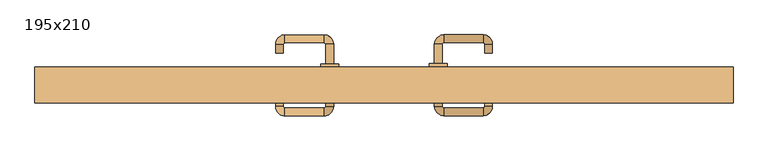
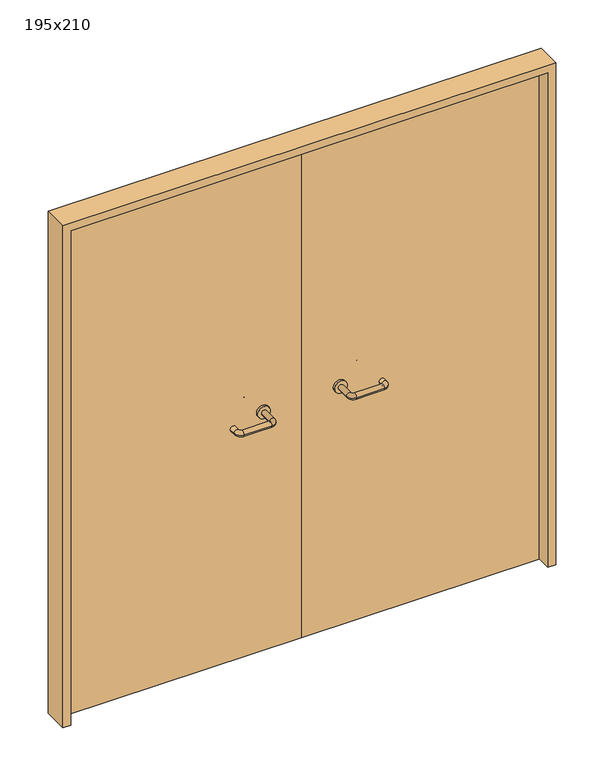
"""IFC4 building model written with IfcOpenShell, lengths in millimetres: door geometry, 195x210."""

from ifc_helpers import new_model, si_unit, point, frame, frame_2d, origin, place, context, project, spatial, polyline, circle_curve, ellipse_curve, trimmed, segment, composite_curve, outline, extrude, source, transform, mapped, element, save
from ifc_brep_helpers import plane_surface, cylinder_surface, revolved_surface, advanced_brep


def door_195x210_066c7f49(model_context):
    return source(origin(), model_context, "Body", "SolidModel", [
        extrude(outline(polyline([(2100.0, -975.0), (0.0, -975.0), (0.0, -943.0), (2068.0, -943.0), (2068.0, 943.0), (0.0, 943.0), (0.0, 975.0), (2100.0, 975.0), (2100.0, -975.0)])), frame((0.0, 100.0, 0.0), z_axis=(0.0, 1.0, 0.0), x_axis=(0.0, 0.0, 1.0)), (0.0, 0.0, 1.0), 100.0),
        advanced_brep(
        [(140.99898, 146.0, 1003.0), (162.99898, 146.0, 1003.0), (140.99898, 90.6474631, 1003.0), (162.99898, 90.6474631, 1003.0), (166.99898, 86.6474631, 1003.0), (166.99898, 64.6474631, 1003.0), (276.99898, 64.6474631, 1003.0), (276.99898, 86.6474631, 1003.0), (280.99898, 90.6474631, 1003.0), (302.99898, 90.6474631, 1003.0), (302.99898, 108.0, 1003.0), (280.99898, 108.0, 1003.0)],
        [
            (0, 1, circle_curve(frame((151.99898, 146.0, 1003.0), z_axis=(0.0, 1.0, 0.0), x_axis=(1.0, 0.0, 0.0)), 11.0)),
            (1, 0, circle_curve(frame((151.99898, 146.0, 1003.0), z_axis=(0.0, 1.0, 0.0), x_axis=(1.0, 0.0, 0.0)), 11.0)),
            (0, 2),
            (2, 3, circle_curve(frame((151.99898, 90.6474631, 1003.0), z_axis=(0.0, 1.0, 0.0), x_axis=(1.0, 0.0, 0.0)), 11.0)),
            (3, 1),
            (3, 2, circle_curve(frame((151.99898, 90.6474631, 1003.0), z_axis=(0.0, 1.0, 0.0), x_axis=(1.0, 0.0, 0.0)), 11.0)),
            (4, 3, circle_curve(frame((166.99898, 90.6474631, 1003.0), z_axis=(0.0, 0.0, -1.0), x_axis=(-1.0, 0.0, 0.0)), 4.0)),
            (2, 5, circle_curve(frame((166.99898, 90.6474631, 1003.0), z_axis=(0.0, 0.0, 1.0), x_axis=(-1.0, 0.0, 0.0)), 26.0)),
            (5, 4, circle_curve(frame((166.99898, 75.6474631, 1003.0), z_axis=(-1.0, 0.0, 0.0), x_axis=(0.0, 1.0, 0.0)), 11.0)),
            (4, 5, circle_curve(frame((166.99898, 75.6474631, 1003.0), z_axis=(-1.0, 0.0, 0.0), x_axis=(0.0, 1.0, 0.0)), 11.0)),
            (5, 6),
            (6, 7, circle_curve(frame((276.99898, 75.6474631, 1003.0), z_axis=(-1.0, 0.0, 0.0), x_axis=(0.0, 1.0, 0.0)), 11.0)),
            (7, 4),
            (7, 6, circle_curve(frame((276.99898, 75.6474631, 1003.0), z_axis=(-1.0, 0.0, 0.0), x_axis=(0.0, 1.0, 0.0)), 11.0)),
            (8, 7, circle_curve(frame((276.99898, 90.6474631, 1003.0), z_axis=(0.0, 0.0, -1.0), x_axis=(0.0, -1.0, 0.0)), 4.0)),
            (6, 9, circle_curve(frame((276.99898, 90.6474631, 1003.0), z_axis=(0.0, 0.0, 1.0), x_axis=(0.0, -1.0, 0.0)), 26.0)),
            (9, 8, circle_curve(frame((291.99898, 90.6474631, 1003.0), z_axis=(0.0, -1.0, 0.0), x_axis=(-1.0, 0.0, 0.0)), 11.0)),
            (8, 9, circle_curve(frame((291.99898, 90.6474631, 1003.0), z_axis=(0.0, -1.0, 0.0), x_axis=(-1.0, 0.0, 0.0)), 11.0)),
            (10, 11, circle_curve(frame((291.99898, 108.0, 1003.0), z_axis=(0.0, 1.0, 0.0), x_axis=(-1.0, 0.0, 0.0)), 11.0)),
            (11, 10, circle_curve(frame((291.99898, 108.0, 1003.0), z_axis=(0.0, 1.0, 0.0), x_axis=(-1.0, 0.0, 0.0)), 11.0)),
            (9, 10),
            (11, 8),
        ],
        [
            plane_surface(frame((140.99898, 146.0, 1003.0), z_axis=(0.0, 1.0, 0.0), x_axis=(0.0, 0.0, -1.0))),
            cylinder_surface(frame((151.99898, 146.0, 1003.0), z_axis=(0.0, 1.0, 0.0), x_axis=(1.0, 0.0, 0.0)), 11.0),
            revolved_surface(trimmed(ellipse_curve(frame((151.99898, 90.6474631, 1003.0), z_axis=(0.0, 1.0, 0.0), x_axis=(1.0, 0.0, 0.0)), 11.0, 11.0), [point((140.99898, 90.6474631, 1003.0))], [point((162.99898, 90.6474631, 1003.0))], True, "CARTESIAN"), (166.99898, 90.6474631, 1003.0), (0.0, 0.0, 1.0)),
            revolved_surface(trimmed(ellipse_curve(frame((151.99898, 90.6474631, 1003.0), z_axis=(0.0, 1.0, 0.0), x_axis=(1.0, 0.0, 0.0)), 11.0, 11.0), [point((162.99898, 90.6474631, 1003.0))], [point((140.99898, 90.6474631, 1003.0))], True, "CARTESIAN"), (166.99898, 90.6474631, 1003.0), (0.0, 0.0, 1.0)),
            cylinder_surface(frame((166.99898, 75.6474631, 1003.0), z_axis=(-1.0, 0.0, 0.0), x_axis=(0.0, 1.0, 0.0)), 11.0),
            revolved_surface(trimmed(ellipse_curve(frame((276.99898, 75.6474631, 1003.0), z_axis=(-1.0, 0.0, 0.0), x_axis=(0.0, 1.0, 0.0)), 11.0, 11.0), [point((276.99898, 64.6474631, 1003.0))], [point((276.99898, 86.6474631, 1003.0))], True, "CARTESIAN"), (276.99898, 90.6474631, 1003.0), (0.0, 0.0, 1.0)),
            revolved_surface(trimmed(ellipse_curve(frame((276.99898, 75.6474631, 1003.0), z_axis=(-1.0, 0.0, 0.0), x_axis=(0.0, 1.0, 0.0)), 11.0, 11.0), [point((276.99898, 86.6474631, 1003.0))], [point((276.99898, 64.6474631, 1003.0))], True, "CARTESIAN"), (276.99898, 90.6474631, 1003.0), (0.0, 0.0, 1.0)),
            plane_surface(frame((280.99898, 108.0, 1003.0), z_axis=(0.0, 1.0, 0.0), x_axis=(0.0, 0.0, 1.0))),
            cylinder_surface(frame((291.99898, 90.6474631, 1003.0), z_axis=(0.0, -1.0, 0.0), x_axis=(-1.0, 0.0, 0.0)), 11.0),
        ],
        [
            (0, [[1, 2]]),
            (1, [[-1, 3, 4, 5]]),
            (1, [[-2, -5, 6, -3]]),
            (2, [[7, -4, 8, 9]]),
            (3, [[-8, -6, -7, 10]]),
            (4, [[-9, 11, 12, 13]]),
            (4, [[-10, -13, 14, -11]]),
            (5, [[15, -12, 16, 17]]),
            (6, [[-16, -14, -15, 18]]),
            (7, [[19, 20]]),
            (8, [[-17, 21, -20, 22]]),
            (8, [[-18, -22, -19, -21]]),
        ],
    ),
        extrude(outline(composite_curve([segment(trimmed(circle_curve(frame_2d((1003.0, 151.99898)), 25.0), [point((1003.0, 126.99898))], [point((1003.0, 176.99898))], False, "CARTESIAN"), True, "CONTINUOUS"), segment(trimmed(circle_curve(frame_2d((1003.0, 151.99898)), 25.0), [point((1003.0, 176.99898))], [point((1003.0, 126.99898))], False, "CARTESIAN"), True, "CONTINUOUS")], self_intersect=False)), frame((0.0, 146.0, 0.0), z_axis=(0.0, 1.0, 0.0), x_axis=(0.0, 0.0, 1.0)), (0.0, 0.0, 1.0), 10.0),
        advanced_brep(
        [(162.99898, 210.0, 1003.0), (140.99898, 210.0, 1003.0), (162.99898, 265.0, 1003.0), (140.99898, 265.0, 1003.0), (166.99898, 291.0, 1003.0), (166.99898, 269.0, 1003.0), (276.99898, 269.0, 1003.0), (276.99898, 291.0, 1003.0), (302.99898, 265.0, 1003.0), (280.99898, 265.0, 1003.0), (280.99898, 240.0, 1003.0), (302.99898, 240.0, 1003.0)],
        [
            (0, 1, circle_curve(frame((151.99898, 210.0, 1003.0), z_axis=(0.0, -1.0, 0.0), x_axis=(-1.0, 0.0, 0.0)), 11.0)),
            (1, 0, circle_curve(frame((151.99898, 210.0, 1003.0), z_axis=(0.0, -1.0, 0.0), x_axis=(-1.0, 0.0, 0.0)), 11.0)),
            (0, 2),
            (2, 3, circle_curve(frame((151.99898, 265.0, 1003.0), z_axis=(0.0, -1.0, 0.0), x_axis=(-1.0, 0.0, 0.0)), 11.0)),
            (3, 1),
            (3, 2, circle_curve(frame((151.99898, 265.0, 1003.0), z_axis=(0.0, -1.0, 0.0), x_axis=(-1.0, 0.0, 0.0)), 11.0)),
            (4, 3, circle_curve(frame((166.99898, 265.0, 1003.0), z_axis=(0.0, 0.0, 1.0), x_axis=(-1.0, 0.0, 0.0)), 26.0)),
            (2, 5, circle_curve(frame((166.99898, 265.0, 1003.0), z_axis=(0.0, 0.0, -1.0), x_axis=(-1.0, 0.0, 0.0)), 4.0)),
            (5, 4, circle_curve(frame((166.99898, 280.0, 1003.0), z_axis=(-1.0, 0.0, 0.0), x_axis=(0.0, 1.0, 0.0)), 11.0)),
            (4, 5, circle_curve(frame((166.99898, 280.0, 1003.0), z_axis=(-1.0, 0.0, 0.0), x_axis=(0.0, 1.0, 0.0)), 11.0)),
            (5, 6),
            (6, 7, circle_curve(frame((276.99898, 280.0, 1003.0), z_axis=(-1.0, 0.0, 0.0), x_axis=(0.0, 1.0, 0.0)), 11.0)),
            (7, 4),
            (7, 6, circle_curve(frame((276.99898, 280.0, 1003.0), z_axis=(-1.0, 0.0, 0.0), x_axis=(0.0, 1.0, 0.0)), 11.0)),
            (8, 7, circle_curve(frame((276.99898, 265.0, 1003.0), z_axis=(0.0, 0.0, 1.0), x_axis=(0.0, 1.0, 0.0)), 26.0)),
            (6, 9, circle_curve(frame((276.99898, 265.0, 1003.0), z_axis=(0.0, 0.0, -1.0), x_axis=(0.0, 1.0, 0.0)), 4.0)),
            (9, 8, circle_curve(frame((291.99898, 265.0, 1003.0), z_axis=(0.0, 1.0, 0.0), x_axis=(1.0, 0.0, 0.0)), 11.0)),
            (8, 9, circle_curve(frame((291.99898, 265.0, 1003.0), z_axis=(0.0, 1.0, 0.0), x_axis=(1.0, 0.0, 0.0)), 11.0)),
            (10, 11, circle_curve(frame((291.99898, 240.0, 1003.0), z_axis=(0.0, -1.0, 0.0), x_axis=(1.0, 0.0, 0.0)), 11.0)),
            (11, 10, circle_curve(frame((291.99898, 240.0, 1003.0), z_axis=(0.0, -1.0, 0.0), x_axis=(1.0, 0.0, 0.0)), 11.0)),
            (9, 10),
            (11, 8),
        ],
        [
            plane_surface(frame((140.99898, 210.0, 1003.0), z_axis=(0.0, -1.0, 0.0), x_axis=(0.0, 0.0, 1.0))),
            cylinder_surface(frame((151.99898, 210.0, 1003.0), z_axis=(0.0, -1.0, 0.0), x_axis=(-1.0, 0.0, 0.0)), 11.0),
            revolved_surface(trimmed(ellipse_curve(frame((151.99898, 265.0, 1003.0), z_axis=(0.0, -1.0, 0.0), x_axis=(-1.0, 0.0, 0.0)), 11.0, 11.0), [point((162.99898, 265.0, 1003.0))], [point((140.99898, 265.0, 1003.0))], True, "CARTESIAN"), (166.99898, 265.0, 1003.0), (0.0, 0.0, -1.0)),
            revolved_surface(trimmed(ellipse_curve(frame((151.99898, 265.0, 1003.0), z_axis=(0.0, -1.0, 0.0), x_axis=(-1.0, 0.0, 0.0)), 11.0, 11.0), [point((140.99898, 265.0, 1003.0))], [point((162.99898, 265.0, 1003.0))], True, "CARTESIAN"), (166.99898, 265.0, 1003.0), (0.0, 0.0, -1.0)),
            cylinder_surface(frame((166.99898, 280.0, 1003.0), z_axis=(-1.0, 0.0, 0.0), x_axis=(0.0, 1.0, 0.0)), 11.0),
            revolved_surface(trimmed(ellipse_curve(frame((276.99898, 280.0, 1003.0), z_axis=(-1.0, 0.0, 0.0), x_axis=(0.0, 1.0, 0.0)), 11.0, 11.0), [point((276.99898, 269.0, 1003.0))], [point((276.99898, 291.0, 1003.0))], True, "CARTESIAN"), (276.99898, 265.0, 1003.0), (0.0, 0.0, -1.0)),
            revolved_surface(trimmed(ellipse_curve(frame((276.99898, 280.0, 1003.0), z_axis=(-1.0, 0.0, 0.0), x_axis=(0.0, 1.0, 0.0)), 11.0, 11.0), [point((276.99898, 291.0, 1003.0))], [point((276.99898, 269.0, 1003.0))], True, "CARTESIAN"), (276.99898, 265.0, 1003.0), (0.0, 0.0, -1.0)),
            plane_surface(frame((280.99898, 240.0, 1003.0), z_axis=(0.0, -1.0, 0.0), x_axis=(0.0, 0.0, -1.0))),
            cylinder_surface(frame((291.99898, 265.0, 1003.0), z_axis=(0.0, 1.0, 0.0), x_axis=(1.0, 0.0, 0.0)), 11.0),
        ],
        [
            (0, [[1, 2]]),
            (1, [[-1, 3, 4, 5]]),
            (1, [[-2, -5, 6, -3]]),
            (2, [[7, -4, 8, 9]]),
            (3, [[-8, -6, -7, 10]]),
            (4, [[-9, 11, 12, 13]]),
            (4, [[-10, -13, 14, -11]]),
            (5, [[15, -12, 16, 17]]),
            (6, [[-16, -14, -15, 18]]),
            (7, [[19, 20]]),
            (8, [[-17, 21, -20, 22]]),
            (8, [[-18, -22, -19, -21]]),
        ],
    ),
        extrude(outline(composite_curve([segment(trimmed(circle_curve(frame_2d((1003.0, 151.99898)), 25.0), [point((1003.0, 176.99898))], [point((1003.0, 126.99898))], False, "CARTESIAN"), True, "CONTINUOUS"), segment(trimmed(circle_curve(frame_2d((1003.0, 151.99898)), 25.0), [point((1003.0, 126.99898))], [point((1003.0, 176.99898))], False, "CARTESIAN"), True, "CONTINUOUS")], self_intersect=False)), frame((0.0, 200.0, 0.0), z_axis=(0.0, 1.0, 0.0), x_axis=(0.0, 0.0, 1.0)), (0.0, 0.0, 1.0), 10.0),
        advanced_brep(
        [(-162.99898, 145.6886121, 1003.0), (-140.99898, 145.6886121, 1003.0), (-162.99898, 90.2779553, 1003.0), (-140.99898, 90.2779553, 1003.0), (-166.99898, 64.2779553, 1003.0), (-166.99898, 86.2779553, 1003.0), (-276.99898, 86.2779553, 1003.0), (-276.99898, 64.2779553, 1003.0), (-302.99898, 90.2779553, 1003.0), (-280.99898, 90.2779553, 1003.0), (-280.99898, 115.2779553, 1003.0), (-302.99898, 115.2779553, 1003.0)],
        [
            (0, 1, circle_curve(frame((-151.99898, 145.6886121, 1003.0), z_axis=(0.0, 1.0, 0.0), x_axis=(1.0, 0.0, 0.0)), 11.0)),
            (1, 0, circle_curve(frame((-151.99898, 145.6886121, 1003.0), z_axis=(0.0, 1.0, 0.0), x_axis=(1.0, 0.0, 0.0)), 11.0)),
            (0, 2),
            (2, 3, circle_curve(frame((-151.99898, 90.2779553, 1003.0), z_axis=(0.0, 1.0, 0.0), x_axis=(1.0, 0.0, 0.0)), 11.0)),
            (3, 1),
            (3, 2, circle_curve(frame((-151.99898, 90.2779553, 1003.0), z_axis=(0.0, 1.0, 0.0), x_axis=(1.0, 0.0, 0.0)), 11.0)),
            (4, 3, circle_curve(frame((-166.99898, 90.2779553, 1003.0), z_axis=(0.0, 0.0, 1.0), x_axis=(1.0, 0.0, 0.0)), 26.0)),
            (2, 5, circle_curve(frame((-166.99898, 90.2779553, 1003.0), z_axis=(0.0, 0.0, -1.0), x_axis=(1.0, 0.0, 0.0)), 4.0)),
            (5, 4, circle_curve(frame((-166.99898, 75.2779553, 1003.0), z_axis=(1.0, 0.0, 0.0), x_axis=(0.0, -1.0, 0.0)), 11.0)),
            (4, 5, circle_curve(frame((-166.99898, 75.2779553, 1003.0), z_axis=(1.0, 0.0, 0.0), x_axis=(0.0, -1.0, 0.0)), 11.0)),
            (5, 6),
            (6, 7, circle_curve(frame((-276.99898, 75.2779553, 1003.0), z_axis=(1.0, 0.0, 0.0), x_axis=(0.0, -1.0, 0.0)), 11.0)),
            (7, 4),
            (7, 6, circle_curve(frame((-276.99898, 75.2779553, 1003.0), z_axis=(1.0, 0.0, 0.0), x_axis=(0.0, -1.0, 0.0)), 11.0)),
            (8, 7, circle_curve(frame((-276.99898, 90.2779553, 1003.0), z_axis=(0.0, 0.0, 1.0), x_axis=(0.0, -1.0, 0.0)), 26.0)),
            (6, 9, circle_curve(frame((-276.99898, 90.2779553, 1003.0), z_axis=(0.0, 0.0, -1.0), x_axis=(0.0, -1.0, 0.0)), 4.0)),
            (9, 8, circle_curve(frame((-291.99898, 90.2779553, 1003.0), z_axis=(0.0, -1.0, 0.0), x_axis=(-1.0, 0.0, 0.0)), 11.0)),
            (8, 9, circle_curve(frame((-291.99898, 90.2779553, 1003.0), z_axis=(0.0, -1.0, 0.0), x_axis=(-1.0, 0.0, 0.0)), 11.0)),
            (10, 11, circle_curve(frame((-291.99898, 115.2779553, 1003.0), z_axis=(0.0, 1.0, 0.0), x_axis=(-1.0, 0.0, 0.0)), 11.0)),
            (11, 10, circle_curve(frame((-291.99898, 115.2779553, 1003.0), z_axis=(0.0, 1.0, 0.0), x_axis=(-1.0, 0.0, 0.0)), 11.0)),
            (9, 10),
            (11, 8),
        ],
        [
            plane_surface(frame((-162.99898, 145.6886121, 1003.0), z_axis=(0.0, 1.0, 0.0), x_axis=(0.0, 0.0, -1.0))),
            cylinder_surface(frame((-151.99898, 145.6886121, 1003.0), z_axis=(0.0, 1.0, 0.0), x_axis=(1.0, 0.0, 0.0)), 11.0),
            revolved_surface(trimmed(ellipse_curve(frame((-151.99898, 90.2779553, 1003.0), z_axis=(0.0, 1.0, 0.0), x_axis=(1.0, 0.0, 0.0)), 11.0, 11.0), [point((-162.99898, 90.2779553, 1003.0))], [point((-140.99898, 90.2779553, 1003.0))], True, "CARTESIAN"), (-166.99898, 90.2779553, 1003.0), (0.0, 0.0, -1.0)),
            revolved_surface(trimmed(ellipse_curve(frame((-151.99898, 90.2779553, 1003.0), z_axis=(0.0, 1.0, 0.0), x_axis=(1.0, 0.0, 0.0)), 11.0, 11.0), [point((-140.99898, 90.2779553, 1003.0))], [point((-162.99898, 90.2779553, 1003.0))], True, "CARTESIAN"), (-166.99898, 90.2779553, 1003.0), (0.0, 0.0, -1.0)),
            cylinder_surface(frame((-166.99898, 75.2779553, 1003.0), z_axis=(1.0, 0.0, 0.0), x_axis=(0.0, -1.0, 0.0)), 11.0),
            revolved_surface(trimmed(ellipse_curve(frame((-276.99898, 75.2779553, 1003.0), z_axis=(1.0, 0.0, 0.0), x_axis=(0.0, -1.0, 0.0)), 11.0, 11.0), [point((-276.99898, 86.2779553, 1003.0))], [point((-276.99898, 64.2779553, 1003.0))], True, "CARTESIAN"), (-276.99898, 90.2779553, 1003.0), (0.0, 0.0, -1.0)),
            revolved_surface(trimmed(ellipse_curve(frame((-276.99898, 75.2779553, 1003.0), z_axis=(1.0, 0.0, 0.0), x_axis=(0.0, -1.0, 0.0)), 11.0, 11.0), [point((-276.99898, 64.2779553, 1003.0))], [point((-276.99898, 86.2779553, 1003.0))], True, "CARTESIAN"), (-276.99898, 90.2779553, 1003.0), (0.0, 0.0, -1.0)),
            plane_surface(frame((-302.99898, 115.2779553, 1003.0), z_axis=(0.0, 1.0, 0.0), x_axis=(0.0, 0.0, 1.0))),
            cylinder_surface(frame((-291.99898, 90.2779553, 1003.0), z_axis=(0.0, -1.0, 0.0), x_axis=(-1.0, 0.0, 0.0)), 11.0),
        ],
        [
            (0, [[1, 2]]),
            (1, [[-1, 3, 4, 5]]),
            (1, [[-2, -5, 6, -3]]),
            (2, [[7, -4, 8, 9]]),
            (3, [[-8, -6, -7, 10]]),
            (4, [[-9, 11, 12, 13]]),
            (4, [[-10, -13, 14, -11]]),
            (5, [[15, -12, 16, 17]]),
            (6, [[-16, -14, -15, 18]]),
            (7, [[19, 20]]),
            (8, [[-17, 21, -20, 22]]),
            (8, [[-18, -22, -19, -21]]),
        ],
    ),
        extrude(outline(composite_curve([segment(trimmed(circle_curve(frame_2d((1003.0, -151.99898)), 25.0), [point((1003.0, -176.99898))], [point((1003.0, -126.99898))], False, "CARTESIAN"), True, "CONTINUOUS"), segment(trimmed(circle_curve(frame_2d((1003.0, -151.99898)), 25.0), [point((1003.0, -126.99898))], [point((1003.0, -176.99898))], False, "CARTESIAN"), True, "CONTINUOUS")], self_intersect=False)), frame((0.0, 145.6886121, 0.0), z_axis=(0.0, 1.0, 0.0), x_axis=(0.0, 0.0, 1.0)), (0.0, 0.0, 1.0), 10.3113879),
        advanced_brep(
        [(-140.99898, 209.5143417, 1003.0), (-162.99898, 209.5143417, 1003.0), (-140.99898, 264.6104656, 1003.0), (-162.99898, 264.6104656, 1003.0), (-166.99898, 268.6104656, 1003.0), (-166.99898, 290.6104656, 1003.0), (-276.99898, 290.6104656, 1003.0), (-276.99898, 268.6104656, 1003.0), (-280.99898, 264.6104656, 1003.0), (-302.99898, 264.6104656, 1003.0), (-302.99898, 239.6104656, 1003.0), (-280.99898, 239.6104656, 1003.0)],
        [
            (0, 1, circle_curve(frame((-151.99898, 209.5143417, 1003.0), z_axis=(0.0, -1.0, 0.0), x_axis=(-1.0, 0.0, 0.0)), 11.0)),
            (1, 0, circle_curve(frame((-151.99898, 209.5143417, 1003.0), z_axis=(0.0, -1.0, 0.0), x_axis=(-1.0, 0.0, 0.0)), 11.0)),
            (0, 2),
            (2, 3, circle_curve(frame((-151.99898, 264.6104656, 1003.0), z_axis=(0.0, -1.0, 0.0), x_axis=(-1.0, 0.0, 0.0)), 11.0)),
            (3, 1),
            (3, 2, circle_curve(frame((-151.99898, 264.6104656, 1003.0), z_axis=(0.0, -1.0, 0.0), x_axis=(-1.0, 0.0, 0.0)), 11.0)),
            (4, 3, circle_curve(frame((-166.99898, 264.6104656, 1003.0), z_axis=(0.0, 0.0, -1.0), x_axis=(1.0, 0.0, 0.0)), 4.0)),
            (2, 5, circle_curve(frame((-166.99898, 264.6104656, 1003.0), z_axis=(0.0, 0.0, 1.0), x_axis=(1.0, 0.0, 0.0)), 26.0)),
            (5, 4, circle_curve(frame((-166.99898, 279.6104656, 1003.0), z_axis=(1.0, 0.0, 0.0), x_axis=(0.0, -1.0, 0.0)), 11.0)),
            (4, 5, circle_curve(frame((-166.99898, 279.6104656, 1003.0), z_axis=(1.0, 0.0, 0.0), x_axis=(0.0, -1.0, 0.0)), 11.0)),
            (5, 6),
            (6, 7, circle_curve(frame((-276.99898, 279.6104656, 1003.0), z_axis=(1.0, 0.0, 0.0), x_axis=(0.0, -1.0, 0.0)), 11.0)),
            (7, 4),
            (7, 6, circle_curve(frame((-276.99898, 279.6104656, 1003.0), z_axis=(1.0, 0.0, 0.0), x_axis=(0.0, -1.0, 0.0)), 11.0)),
            (8, 7, circle_curve(frame((-276.99898, 264.6104656, 1003.0), z_axis=(0.0, 0.0, -1.0), x_axis=(0.0, 1.0, 0.0)), 4.0)),
            (6, 9, circle_curve(frame((-276.99898, 264.6104656, 1003.0), z_axis=(0.0, 0.0, 1.0), x_axis=(0.0, 1.0, 0.0)), 26.0)),
            (9, 8, circle_curve(frame((-291.99898, 264.6104656, 1003.0), z_axis=(0.0, 1.0, 0.0), x_axis=(1.0, 0.0, 0.0)), 11.0)),
            (8, 9, circle_curve(frame((-291.99898, 264.6104656, 1003.0), z_axis=(0.0, 1.0, 0.0), x_axis=(1.0, 0.0, 0.0)), 11.0)),
            (10, 11, circle_curve(frame((-291.99898, 239.6104656, 1003.0), z_axis=(0.0, -1.0, 0.0), x_axis=(1.0, 0.0, 0.0)), 11.0)),
            (11, 10, circle_curve(frame((-291.99898, 239.6104656, 1003.0), z_axis=(0.0, -1.0, 0.0), x_axis=(1.0, 0.0, 0.0)), 11.0)),
            (9, 10),
            (11, 8),
        ],
        [
            plane_surface(frame((-162.99898, 209.5143417, 1003.0), z_axis=(0.0, -1.0, 0.0), x_axis=(0.0, 0.0, 1.0))),
            cylinder_surface(frame((-151.99898, 209.5143417, 1003.0), z_axis=(0.0, -1.0, 0.0), x_axis=(-1.0, 0.0, 0.0)), 11.0),
            revolved_surface(trimmed(ellipse_curve(frame((-151.99898, 264.6104656, 1003.0), z_axis=(0.0, -1.0, 0.0), x_axis=(-1.0, 0.0, 0.0)), 11.0, 11.0), [point((-140.99898, 264.6104656, 1003.0))], [point((-162.99898, 264.6104656, 1003.0))], True, "CARTESIAN"), (-166.99898, 264.6104656, 1003.0), (0.0, 0.0, 1.0)),
            revolved_surface(trimmed(ellipse_curve(frame((-151.99898, 264.6104656, 1003.0), z_axis=(0.0, -1.0, 0.0), x_axis=(-1.0, 0.0, 0.0)), 11.0, 11.0), [point((-162.99898, 264.6104656, 1003.0))], [point((-140.99898, 264.6104656, 1003.0))], True, "CARTESIAN"), (-166.99898, 264.6104656, 1003.0), (0.0, 0.0, 1.0)),
            cylinder_surface(frame((-166.99898, 279.6104656, 1003.0), z_axis=(1.0, 0.0, 0.0), x_axis=(0.0, -1.0, 0.0)), 11.0),
            revolved_surface(trimmed(ellipse_curve(frame((-276.99898, 279.6104656, 1003.0), z_axis=(1.0, 0.0, 0.0), x_axis=(0.0, -1.0, 0.0)), 11.0, 11.0), [point((-276.99898, 290.6104656, 1003.0))], [point((-276.99898, 268.6104656, 1003.0))], True, "CARTESIAN"), (-276.99898, 264.6104656, 1003.0), (0.0, 0.0, 1.0)),
            revolved_surface(trimmed(ellipse_curve(frame((-276.99898, 279.6104656, 1003.0), z_axis=(1.0, 0.0, 0.0), x_axis=(0.0, -1.0, 0.0)), 11.0, 11.0), [point((-276.99898, 268.6104656, 1003.0))], [point((-276.99898, 290.6104656, 1003.0))], True, "CARTESIAN"), (-276.99898, 264.6104656, 1003.0), (0.0, 0.0, 1.0)),
            plane_surface(frame((-302.99898, 239.6104656, 1003.0), z_axis=(0.0, -1.0, 0.0), x_axis=(0.0, 0.0, -1.0))),
            cylinder_surface(frame((-291.99898, 264.6104656, 1003.0), z_axis=(0.0, 1.0, 0.0), x_axis=(1.0, 0.0, 0.0)), 11.0),
        ],
        [
            (0, [[1, 2]]),
            (1, [[-1, 3, 4, 5]]),
            (1, [[-2, -5, 6, -3]]),
            (2, [[7, -4, 8, 9]]),
            (3, [[-8, -6, -7, 10]]),
            (4, [[-9, 11, 12, 13]]),
            (4, [[-10, -13, 14, -11]]),
            (5, [[15, -12, 16, 17]]),
            (6, [[-16, -14, -15, 18]]),
            (7, [[19, 20]]),
            (8, [[-17, 21, -20, 22]]),
            (8, [[-18, -22, -19, -21]]),
        ],
    ),
        extrude(outline(composite_curve([segment(trimmed(circle_curve(frame_2d((1003.0, -151.99898)), 25.0), [point((1003.0, -126.99898))], [point((1003.0, -176.99898))], False, "CARTESIAN"), True, "CONTINUOUS"), segment(trimmed(circle_curve(frame_2d((1003.0, -151.99898)), 25.0), [point((1003.0, -176.99898))], [point((1003.0, -126.99898))], False, "CARTESIAN"), True, "CONTINUOUS")], self_intersect=False)), frame((0.0, 200.0, 0.0), z_axis=(0.0, 1.0, 0.0), x_axis=(0.0, 0.0, 1.0)), (0.0, 0.0, 1.0), 9.5143417),
        extrude(outline(polyline([(1.0739506, 156.0), (-940.0, 156.0), (-940.0, 200.0), (1.0739506, 200.0), (1.0739506, 156.0)])), frame((0.0, 0.0, 1.753223), z_axis=(0.0, 0.0, 1.0), x_axis=(1.0, 0.0, 0.0)), (0.0, 0.0, 1.0), 2066.246777),
        extrude(outline(polyline([(940.0, 156.0), (1.0739506, 156.0), (1.0739506, 200.0), (940.0, 200.0), (940.0, 156.0)])), frame((0.0, 0.0, 1.753223), z_axis=(0.0, 0.0, 1.0), x_axis=(1.0, 0.0, 0.0)), (0.0, 0.0, 1.0), 2066.246777),
    ])


if __name__ == "__main__":
    model = new_model("IFC4")
    model_context = context("Model", 3, world=origin())
    ifc_project = project(units=[si_unit("LENGTHUNIT", "METRE", prefix="MILLI")], contexts=[model_context])
    site = spatial("IfcSite", under=ifc_project)
    building = spatial("IfcBuilding", under=site)
    placement = place(None, origin())
    door_195x210_shape = door_195x210_066c7f49(model_context)
    element("IfcDoor", 1, ObjectType="195x210", at=placement, inside=building, context=model_context, shape_type="MappedRepresentation", body=[
        mapped(door_195x210_shape, transform((0.0, 0.0, 0.0), x_axis=(1.0, 0.0, 0.0), y_axis=(0.0, 1.0, 0.0), z_axis=(0.0, 0.0, 1.0))),
    ])
    save(model, "model.ifc")
